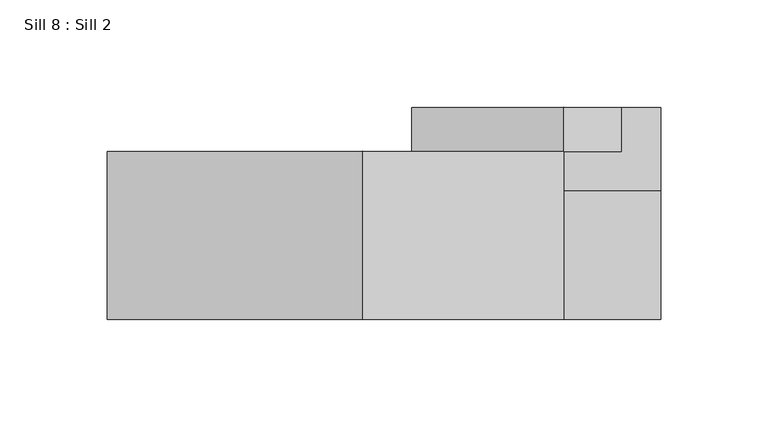
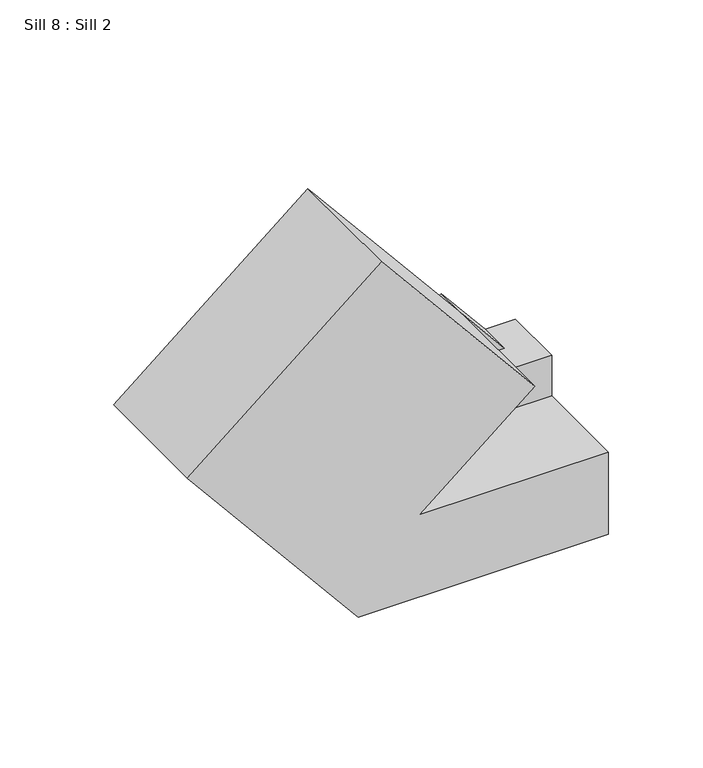
"""IFC4 building model written with IfcOpenShell, lengths in millimetres: proxy geometry, Sill 8 : Sill 2."""

from ifc_helpers import new_model, si_unit, origin, place, context, project, spatial, faceted_brep, source, transform, mapped, element, save


def sill_8_sill_2_693df7c8(model_context):
    return source(origin(), model_context, "Body", "Brep", [
        faceted_brep([(-22689.6898439, 12835.4993892, -366.6143251), (-22663.0053977, 12835.4993892, -398.883109), (-22644.6731929, 12835.4993892, -398.883109), (-22644.6731929, 12835.4993892, -425.070509), (-22760.3793369, 12835.4993892, -425.070509), (-22663.0053977, 12815.002383, -398.883109), (-22689.6898439, 12815.002383, -366.6143251), (-22728.7116176, 12815.002383, -398.883109), (-22760.3793369, 12815.002383, -425.070509), (-22728.7116176, 12815.002383, -398.883109), (-22644.6731929, 12796.812808, -425.070509), (-22644.6731929, 12796.812808, -398.883109), (-22728.7116176, 12796.812808, -398.883109), (-22760.3793369, 12796.812808, -425.070509), (-22760.3793369, 12796.812808, -425.070509), (-22644.6731929, 12796.812808, -478.258109), (-22797.4580108, 12796.812808, -478.258109), (-22808.5205144, 12796.812808, -464.8805205), (-22644.6731929, 12736.7971992, -478.258109), (-22644.6731929, 12736.7971992, -425.070509), (-22760.3793369, 12736.7971992, -425.070509), (-22689.6898439, 12736.7971992, -366.6143251), (-22783.2243659, 12736.7971992, -253.5055401), (-22902.0619234, 12736.7971992, -351.7774307), (-22797.4580108, 12736.7971992, -478.258109), (-22902.0550365, 12815.002383, -351.7717356), (-22808.5205144, 12815.002383, -464.8805205), (-22783.2243659, 12815.002383, -253.5055401)], [[[0, 1, 2, 3, 4]], [[5, 6, 7]], [[1, 0, 6, 5]], [[6, 0, 4, 8, 9]], [[10, 11, 12, 13]], [[3, 2, 11, 10]], [[12, 11, 2, 1, 5, 7]], [[4, 3, 10, 14, 8]], [[15, 16, 17, 14, 10]], [[18, 19, 20, 21, 22, 23, 24]], [[15, 10, 19, 18]], [[20, 19, 10, 13]], [[16, 15, 18, 24]], [[17, 16, 24, 23, 25, 26]], [[25, 27, 6, 9, 8, 26]], [[6, 21, 20, 13, 12, 7]], [[26, 8, 14, 17]], [[6, 27, 22, 21]], [[27, 25, 23, 22]]]),
    ])


if __name__ == "__main__":
    model = new_model("IFC4")
    model_context = context("Model", 3, world=origin())
    ifc_project = project(units=[si_unit("LENGTHUNIT", "METRE", prefix="MILLI")], contexts=[model_context])
    site = spatial("IfcSite", under=ifc_project)
    building = spatial("IfcBuilding", under=site)
    placement = place(None, origin())
    sill_8_sill_2_shape = sill_8_sill_2_693df7c8(model_context)
    element("IfcBuildingElementProxy", 1, Name="Sill 8 : Sill 2", ObjectType="Sill 8 : Sill 2", at=placement, inside=building, context=model_context, shape_type="MappedRepresentation", body=[
        mapped(sill_8_sill_2_shape, transform((0.0, 0.0, 0.0), x_axis=(1.0, 0.0, 0.0), y_axis=(0.0, 1.0, 0.0), z_axis=(0.0, 0.0, 1.0))),
    ])
    save(model, "model.ifc")
